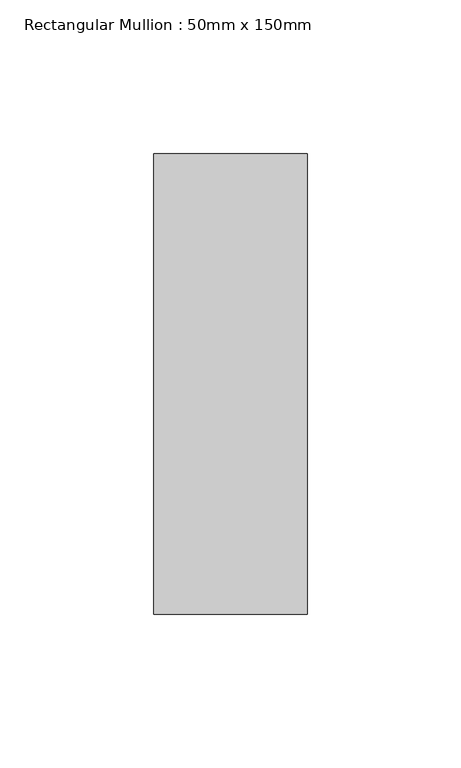
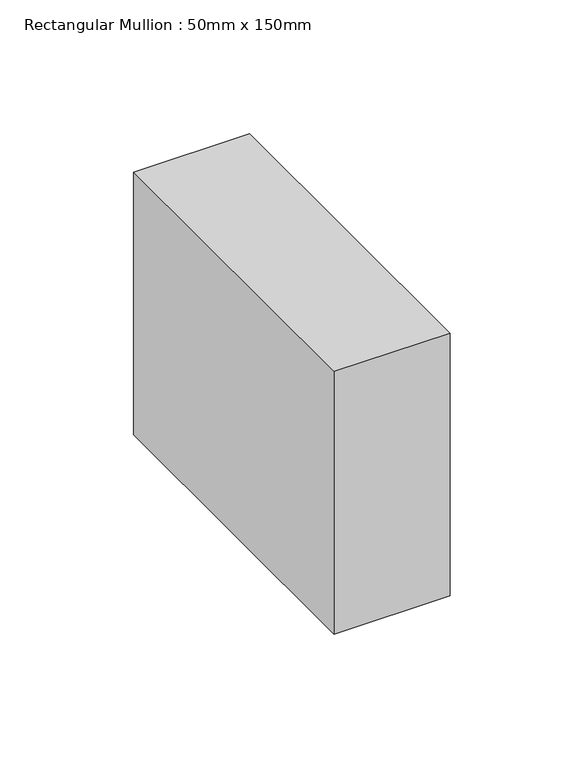
"""IFC4 building model written with IfcOpenShell, lengths in millimetres: member geometry, Rectangular Mullion : 50mm x 150mm."""

import ifcopenshell
import ifcopenshell.guid

model = None  # the IFC model being written
_history = None  # IfcOwnerHistory: only IFC2X3 demands one
_inside = {}  # id of a spatial element -> (the spatial element, [elements in it])
_under = {}  # id of a project, library or spatial element -> (it, [spatial elements below it])
_declared = {}  # id of a project -> (the project, [libraries it declares])
_typed = {}  # id of a type object -> (the type object, [elements of that type])
_made_of = {}  # id of a material, layer set ... -> (it, [elements and type objects made of it])


def new_model(schema):
    """Start an empty IFC model of exactly this schema.

    Asked for "IFC4X3", IfcOpenShell would pick the latest addendum, in which some entities
    have other attributes; the version numbers below select the first issue.
    IFC2X3 requires an IfcOwnerHistory on every rooted entity: one is made here for all.
    """
    global model, _history
    if schema == "IFC4X3":
        model = ifcopenshell.file(schema_version=(4, 3, 0, 0))
    else:
        model = ifcopenshell.file(schema=schema)
    _inside.clear()
    _under.clear()
    _declared.clear()
    _typed.clear()
    _made_of.clear()
    _history = None
    if model.schema == "IFC2X3":
        org = make("IfcOrganization", Name="unknown")
        user = make(
            "IfcPersonAndOrganization",
            ThePerson=make("IfcPerson", FamilyName="unknown"),
            TheOrganization=org,
        )
        app = make(
            "IfcApplication",
            ApplicationDeveloper=org,
            Version="unknown",
            ApplicationFullName="unknown",
            ApplicationIdentifier="unknown",
        )
        _history = make(
            "IfcOwnerHistory",
            OwningUser=user,
            OwningApplication=app,
            ChangeAction="ADDED",
            CreationDate=0,
        )
    return model


def make(cls, **values):
    """One entity of the class cls with the attributes given. An attribute that is None is left unset."""
    return model.create_entity(
        cls, **{name: value for name, value in values.items() if value is not None}
    )


def rooted(cls, **values):
    """An entity with a GlobalId (a new one), such as an element, a storey or a relation."""
    return make(cls, GlobalId=ifcopenshell.guid.new(), OwnerHistory=_history, **values)


def si_unit(unit_type, name, prefix=None):
    """IfcSIUnit, for example si_unit("LENGTHUNIT", "METRE", prefix="MILLI")."""
    return make("IfcSIUnit", UnitType=unit_type, Prefix=prefix, Name=name)


def assignment(units):
    """IfcUnitAssignment: the units of a project."""
    return None if units is None else make("IfcUnitAssignment", Units=units)


def point(xyz):
    """IfcCartesianPoint."""
    return None if xyz is None else make("IfcCartesianPoint", Coordinates=xyz)


def direction(xyz):
    """IfcDirection."""
    return None if xyz is None else make("IfcDirection", DirectionRatios=xyz)


def frame(location, z_axis=None, x_axis=None):
    """IfcAxis2Placement3D, a coordinate frame: its origin and axes. An axis left out is left unset."""
    return make(
        "IfcAxis2Placement3D",
        Location=point(location),
        Axis=direction(z_axis),
        RefDirection=direction(x_axis),
    )


def origin():
    """The frame at (0, 0, 0) with its axes left unset."""
    return frame((0.0, 0.0, 0.0))


def place(relative_to, where):
    """IfcLocalPlacement: puts the frame where relative to a parent placement (None: the world)."""
    return make(
        "IfcLocalPlacement", PlacementRelTo=relative_to, RelativePlacement=where
    )


def context(
    kind, dimensions, precision=None, world=None, true_north=None, identifier=None
):
    """IfcGeometricRepresentationContext, for example the 3D "Model" context."""
    return make(
        "IfcGeometricRepresentationContext",
        ContextIdentifier=identifier,
        ContextType=kind,
        CoordinateSpaceDimension=dimensions,
        Precision=precision,
        WorldCoordinateSystem=world,
        TrueNorth=true_north,
    )


def project(units=None, contexts=None):
    """IfcProject with its units and contexts."""
    return rooted(
        "IfcProject",
        Name="project",
        RepresentationContexts=contexts,
        UnitsInContext=assignment(units),
    )


def spatial(cls, under=None, at=None, **own):
    """A site, building, storey or space (cls), placed at a placement, below another one or the project."""
    s = rooted(cls, ObjectPlacement=at, **own)
    if under is not None:
        _under.setdefault(under.id(), (under, []))[1].append(s)
    return s


def polyline(points):
    """IfcPolyline through the points."""
    return make("IfcPolyline", Points=[point(p) for p in points])


def outline(outer, holes=None, kind="AREA"):
    """IfcArbitraryClosedProfileDef: a profile drawn as a closed curve; with holes, ...WithVoids."""
    if holes is None:
        return make("IfcArbitraryClosedProfileDef", ProfileType=kind, OuterCurve=outer)
    return make(
        "IfcArbitraryProfileDefWithVoids",
        ProfileType=kind,
        OuterCurve=outer,
        InnerCurves=holes,
    )


def extrude(swept, where, along, depth):
    """IfcExtrudedAreaSolid: the profile swept, set in the frame where, extruded along a direction by depth."""
    return make(
        "IfcExtrudedAreaSolid",
        SweptArea=swept,
        Position=where,
        ExtrudedDirection=direction(along),
        Depth=depth,
    )


def shape(context_of_items, identifier, shape_type, items):
    """IfcShapeRepresentation: the items that make up one representation, for example the "Body"."""
    return make(
        "IfcShapeRepresentation",
        ContextOfItems=context_of_items,
        RepresentationIdentifier=identifier,
        RepresentationType=shape_type,
        Items=items,
    )


def source(mapping_origin, context_of_items, identifier, shape_type, items):
    """IfcRepresentationMap: a shape defined once, which mapped items show again and again."""
    return make(
        "IfcRepresentationMap",
        MappingOrigin=mapping_origin,
        MappedRepresentation=shape(context_of_items, identifier, shape_type, items),
    )


def transform(
    local_origin,
    x_axis=None,
    y_axis=None,
    z_axis=None,
    scale=None,
    scale2=None,
    scale3=None,
    uniform=True,
):
    """IfcCartesianTransformationOperator3D, or its non-uniform kind. x_axis, y_axis, z_axis: its Axis1, 2, 3."""
    if uniform:
        return make(
            "IfcCartesianTransformationOperator3D",
            Axis1=direction(x_axis),
            Axis2=direction(y_axis),
            LocalOrigin=point(local_origin),
            Scale=scale,
            Axis3=direction(z_axis),
        )
    return make(
        "IfcCartesianTransformationOperator3DnonUniform",
        Axis1=direction(x_axis),
        Axis2=direction(y_axis),
        LocalOrigin=point(local_origin),
        Scale=scale,
        Axis3=direction(z_axis),
        Scale2=scale2,
        Scale3=scale3,
    )


def mapped(mapping_source, mapping_target):
    """IfcMappedItem: shows the shape of a source again, moved by a transform."""
    return make(
        "IfcMappedItem", MappingSource=mapping_source, MappingTarget=mapping_target
    )


def made_of(thing, what):
    """Note that an element or type object is made of a material, layer set ...; save() writes the relation."""
    if what is not None:
        _made_of.setdefault(what.id(), (what, []))[1].append(thing)
    return thing


def element(
    cls,
    number,
    at=None,
    inside=None,
    cuts=None,
    type_object=None,
    material=None,
    context=None,
    identifier="Body",
    shape_type=None,
    held_by="IfcProductDefinitionShape",
    body=None,
    shapes=None,
    **own,
):
    """One element of the class cls, such as IfcWall. Its Tag is "e" and its number.

    at: its placement. inside: the storey or other place that contains it. cuts: it is an
    opening in that element (IfcRelVoidsElement). A single representation is given by context,
    identifier, shape_type and body (its items); several are given by shapes. held_by: the class
    of the entity that holds the representations. save() writes the other relations.
    """
    e = rooted(cls, Tag="e%d" % number, ObjectPlacement=at, **own)
    if body is not None:
        shapes = [shape(context, identifier, shape_type, body)]
    if shapes is not None:
        e.Representation = make(held_by, Representations=shapes)
    if inside is not None:
        _inside.setdefault(inside.id(), (inside, []))[1].append(e)
    if cuts is not None:
        rooted(
            "IfcRelVoidsElement", RelatingBuildingElement=cuts, RelatedOpeningElement=e
        )
    if type_object is not None:
        _typed.setdefault(type_object.id(), (type_object, []))[1].append(e)
    return made_of(e, material)


def aggregate(whole, parts):
    """IfcRelAggregates: a whole, such as a stair, and the parts it consists of."""
    return rooted("IfcRelAggregates", RelatingObject=whole, RelatedObjects=parts)


def save(model, path):
    """Write the relations noted so far, then the file.

    IfcRelAggregates (storeys below a building ...), IfcRelContainedInSpatialStructure (elements
    in a storey), IfcRelDefinesByType, IfcRelAssociatesMaterial and IfcRelDeclares: one each for
    every whole, place, type object, material and project.
    """
    for whole, parts in _under.values():
        aggregate(whole, parts)
    for where, things in _inside.values():
        rooted(
            "IfcRelContainedInSpatialStructure",
            RelatedElements=things,
            RelatingStructure=where,
        )
    for kind, things in _typed.values():
        rooted("IfcRelDefinesByType", RelatedObjects=things, RelatingType=kind)
    for what, things in _made_of.values():
        rooted("IfcRelAssociatesMaterial", RelatedObjects=things, RelatingMaterial=what)
    for by, libraries in _declared.values():
        rooted("IfcRelDeclares", RelatingContext=by, RelatedDefinitions=libraries)
    model.write(path)


def rectangular_mullion_50mm_x_150mm_8f217d32(model_context):
    return source(origin(), model_context, "Body", "SweptSolid", [
        extrude(outline(polyline([(25.0, 75.0), (25.0, -75.0), (-25.0, -75.0), (-25.0, 75.0), (25.0, 75.0)])), frame((0.0, 0.0, -119.8881175), z_axis=(0.0, 0.0, 1.0), x_axis=(1.0, 0.0, 0.0)), (0.0, 0.0, 1.0), 119.8881175),
    ])


if __name__ == "__main__":
    model = new_model("IFC4")
    model_context = context("Model", 3, world=origin())
    ifc_project = project(units=[si_unit("LENGTHUNIT", "METRE", prefix="MILLI")], contexts=[model_context])
    site = spatial("IfcSite", under=ifc_project)
    building = spatial("IfcBuilding", under=site)
    placement = place(None, origin())
    rectangular_mullion_50mm_x_150mm_shape = rectangular_mullion_50mm_x_150mm_8f217d32(model_context)
    element("IfcMember", 1, ObjectType="Rectangular Mullion : 50mm x 150mm", at=placement, inside=building, context=model_context, shape_type="MappedRepresentation", body=[
        mapped(rectangular_mullion_50mm_x_150mm_shape, transform((0.0, 0.0, 0.0), x_axis=(1.0, 0.0, 0.0), y_axis=(0.0, 1.0, 0.0), z_axis=(0.0, 0.0, 1.0))),
    ])
    save(model, "model.ifc")
